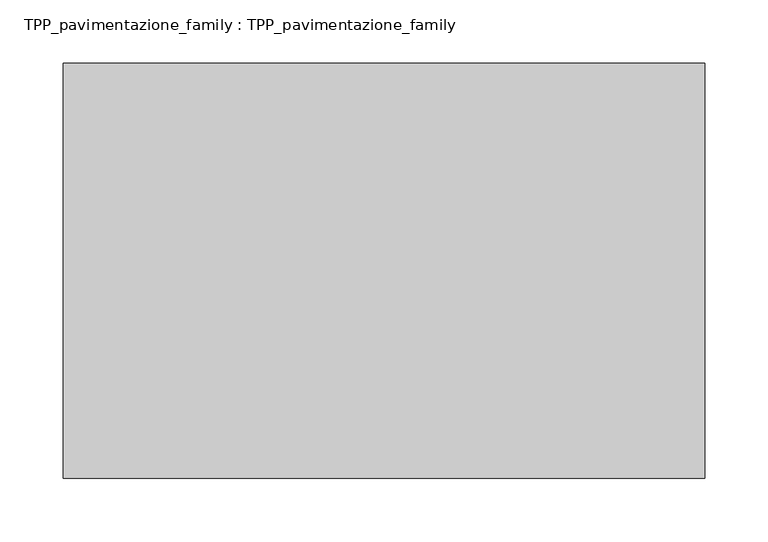
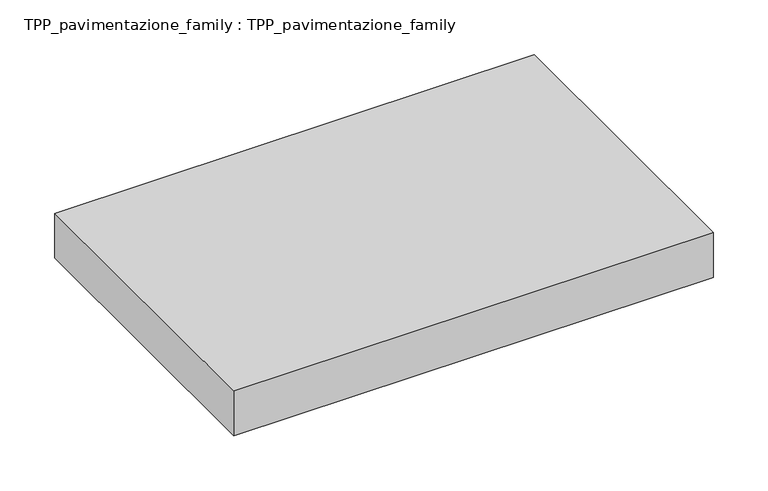
"""IFC4 building model written with IfcOpenShell, lengths in millimetres: proxy geometry, TPP_pavimentazione_family : TPP_pavimentazione_family."""

from ifc_helpers import new_model, si_unit, origin, origin_with_axes, place, context, project, spatial, polyline, outline, extrude, source, transform, mapped, element, save


def tpp_pavimentazione_family_tpp_pavimentazione_family_3a821665(model_context):
    return source(origin(), model_context, "Body", "SweptSolid", [
        extrude(outline(polyline([(511.8146187, 354.2201026), (511.8146187, 27.5398253), (6.7010202, 27.5398253), (6.7010202, 354.2201026), (511.8146187, 354.2201026)])), origin_with_axes(), (0.0, 0.0, 1.0), 50.0),
    ])


if __name__ == "__main__":
    model = new_model("IFC4")
    model_context = context("Model", 3, world=origin())
    ifc_project = project(units=[si_unit("LENGTHUNIT", "METRE", prefix="MILLI")], contexts=[model_context])
    site = spatial("IfcSite", under=ifc_project)
    building = spatial("IfcBuilding", under=site)
    placement = place(None, origin())
    tpp_pavimentazione_family_tpp_pavimentazione_family_shape = tpp_pavimentazione_family_tpp_pavimentazione_family_3a821665(model_context)
    element("IfcBuildingElementProxy", 1, Name="TPP_pavimentazione_family : TPP_pavimentazione_family", ObjectType="TPP_pavimentazione_family : TPP_pavimentazione_family", at=placement, inside=building, context=model_context, shape_type="MappedRepresentation", body=[
        mapped(tpp_pavimentazione_family_tpp_pavimentazione_family_shape, transform((0.0, 0.0, 0.0), x_axis=(1.0, 0.0, 0.0), y_axis=(0.0, 1.0, 0.0), z_axis=(0.0, 0.0, 1.0))),
    ])
    save(model, "model.ifc")
